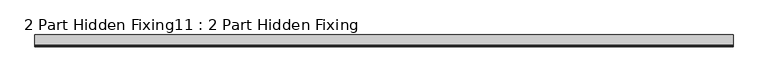
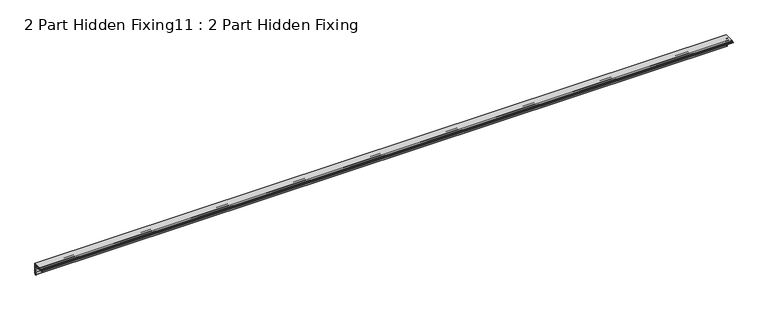
"""IFC4 building model written with IfcOpenShell, lengths in millimetres: proxy geometry, 2 Part Hidden Fixing11 : 2 Part Hidden Fixing."""

from ifc_helpers import new_model, si_unit, point, frame, frame_2d, origin, place, context, project, spatial, polyline, circle_curve, trimmed, segment, composite_curve, outline, extrude, source, transform, mapped, element, save


def proxy_2_part_hidden_fixing11_2_part_hidden_fixing_e3cdb028(model_context):
    return source(origin(), model_context, "Body", "SweptSolid", [
        extrude(outline(composite_curve([segment(trimmed(circle_curve(frame_2d((827.4348481, 1396.1887139)), 25.0), [point((852.4348481, 1396.1887139))], [point((827.4348481, 1421.1887139))], True, "CARTESIAN"), True, "CONTINUOUS"), segment(polyline([(827.4348481, 1421.1887139), (819.3848481, 1421.1887139)]), True, "CONTINUOUS"), segment(trimmed(circle_curve(frame_2d((819.3848481, 1423.2293979)), 2.040684), [point((819.3848481, 1421.1887139))], [point((817.4065069, 1423.729955))], False, "CARTESIAN"), True, "CONTINUOUS"), segment(trimmed(circle_curve(frame_2d((818.2974862, 1423.5045207)), 0.9190564), [point((817.4065069, 1423.729955))], [point((819.2162114, 1423.5291901))], False, "CARTESIAN"), True, "CONTINUOUS"), segment(trimmed(circle_curve(frame_2d((820.0981692, 1423.5528723)), 0.8822757), [point((819.2162114, 1423.5291901))], [point((820.9804315, 1423.5577279))], True, "CARTESIAN"), True, "CONTINUOUS"), segment(polyline([(820.9804315, 1423.5577279), (820.9848505, 1425.3406967)]), True, "CONTINUOUS"), segment(trimmed(circle_curve(frame_2d((822.2398637, 1425.187691)), 1.2643057), [point((820.9848505, 1425.3406967))], [point((822.6348481, 1426.3887139))], False, "CARTESIAN"), True, "CONTINUOUS"), segment(polyline([(822.6348481, 1426.3887139), (857.6348481, 1426.3887139), (857.6348481, 1391.3887139)]), True, "CONTINUOUS"), segment(trimmed(circle_curve(frame_2d((856.4338251, 1390.9937296)), 1.2643057), [point((857.6348481, 1391.3887139))], [point((856.5868308, 1389.7387164))], False, "CARTESIAN"), True, "CONTINUOUS"), segment(polyline([(856.5868308, 1389.7387164), (854.8038621, 1389.7342974)]), True, "CONTINUOUS"), segment(trimmed(circle_curve(frame_2d((854.7990064, 1388.8520351)), 0.8822757), [point((854.8038621, 1389.7342974))], [point((854.7753243, 1387.9700773))], True, "CARTESIAN"), True, "CONTINUOUS"), segment(trimmed(circle_curve(frame_2d((854.7506548, 1387.051352)), 0.9190564), [point((854.7753243, 1387.9700773))], [point((854.9760891, 1386.1603728))], False, "CARTESIAN"), True, "CONTINUOUS"), segment(trimmed(circle_curve(frame_2d((854.4755321, 1388.1387139)), 2.040684), [point((854.9760891, 1386.1603728))], [point((852.4348481, 1388.1387139))], False, "CARTESIAN"), True, "CONTINUOUS"), segment(polyline([(852.4348481, 1388.1387139), (852.4348481, 1396.1887139)]), True, "CONTINUOUS")], self_intersect=False), holes=[composite_curve([segment(polyline([(846.7961769, 1414.1358292), (853.2542803, 1420.5939326), (855.4348481, 1420.5939326), (855.4348481, 1424.1887139), (851.8400667, 1424.1887139), (851.8400667, 1422.0081462), (845.3819633, 1415.5500428)]), True, "CONTINUOUS"), segment(trimmed(circle_curve(frame_2d((827.4348481, 1396.1887139)), 26.4), [point((845.3819633, 1415.5500428))], [point((846.7961769, 1414.1358292))], False, "CARTESIAN"), True, "CONTINUOUS")], self_intersect=False), composite_curve([segment(trimmed(circle_curve(frame_2d((854.8030406, 1392.5633798)), 0.9753373), [point((853.8348481, 1392.6812187))], [point((855.4348481, 1393.3064156))], True, "CARTESIAN"), True, "CONTINUOUS"), segment(polyline([(855.4348481, 1393.3064156), (855.4348481, 1417.4080551), (853.1392907, 1415.8120383)]), True, "CONTINUOUS"), segment(trimmed(circle_curve(frame_2d((852.6462917, 1416.5211208)), 0.8636238), [point((853.1392907, 1415.8120383))], [point((851.9372092, 1417.0141198))], False, "CARTESIAN"), True, "CONTINUOUS"), segment(polyline([(851.9372092, 1417.0141198), (847.850193, 1412.9271036)]), True, "CONTINUOUS"), segment(trimmed(circle_curve(frame_2d((827.4348481, 1396.1887139)), 26.4), [point((847.850193, 1412.9271036))], [point((853.664474, 1399.1831626))], False, "CARTESIAN"), True, "CONTINUOUS"), segment(trimmed(circle_curve(frame_2d((847.7016489, 1393.998872)), 7.901402), [point((853.664474, 1399.1831626))], [point((854.6348481, 1397.7887139))], False, "CARTESIAN"), True, "CONTINUOUS"), segment(trimmed(circle_curve(frame_2d((853.4014705, 1397.1145222)), 1.4056154), [point((854.6348481, 1397.7887139))], [point((854.4179545, 1396.14369))], False, "CARTESIAN"), True, "CONTINUOUS"), segment(trimmed(circle_curve(frame_2d((855.9411372, 1394.6889157)), 2.1062891), [point((854.4179545, 1396.14369))], [point((853.8348481, 1394.6889157))], True, "CARTESIAN"), True, "CONTINUOUS"), segment(polyline([(853.8348481, 1394.6889157), (853.8348481, 1392.6812187)]), True, "CONTINUOUS")], self_intersect=False), composite_curve([segment(polyline([(844.1732378, 1416.6040589), (848.2602539, 1420.6910751)]), True, "CONTINUOUS"), segment(trimmed(circle_curve(frame_2d((847.7672549, 1421.4001575)), 0.8636238), [point((848.2602539, 1420.6910751))], [point((847.0581724, 1421.8931566))], False, "CARTESIAN"), True, "CONTINUOUS"), segment(polyline([(847.0581724, 1421.8931566), (848.6541893, 1424.1887139), (824.5525497, 1424.1887139)]), True, "CONTINUOUS"), segment(trimmed(circle_curve(frame_2d((823.8095139, 1423.5569065)), 0.9753373), [point((824.5525497, 1424.1887139))], [point((823.9273529, 1422.5887139))], True, "CARTESIAN"), True, "CONTINUOUS"), segment(polyline([(823.9273529, 1422.5887139), (825.9350498, 1422.5887139)]), True, "CONTINUOUS"), segment(trimmed(circle_curve(frame_2d((825.9350498, 1424.695003)), 2.1062891), [point((825.9350498, 1422.5887139))], [point((827.3898241, 1423.1718204))], True, "CARTESIAN"), True, "CONTINUOUS"), segment(trimmed(circle_curve(frame_2d((828.3606563, 1422.1553364)), 1.4056154), [point((827.3898241, 1423.1718204))], [point((829.0348481, 1423.3887139))], False, "CARTESIAN"), True, "CONTINUOUS"), segment(trimmed(circle_curve(frame_2d((825.2450061, 1416.4555147)), 7.901402), [point((829.0348481, 1423.3887139))], [point((830.4292968, 1422.4183399))], False, "CARTESIAN"), True, "CONTINUOUS"), segment(trimmed(circle_curve(frame_2d((827.4348481, 1396.1887139)), 26.4), [point((830.4292968, 1422.4183399))], [point((844.1732378, 1416.6040589))], False, "CARTESIAN"), True, "CONTINUOUS")], self_intersect=False)]), frame((9687.3395579, 0.0, 0.0), z_axis=(1.0, 0.0, 0.0), x_axis=(0.0, 1.0, 0.0)), (0.0, 0.0, 1.0), 2410.0),
    ])


if __name__ == "__main__":
    model = new_model("IFC4")
    model_context = context("Model", 3, world=origin())
    ifc_project = project(units=[si_unit("LENGTHUNIT", "METRE", prefix="MILLI")], contexts=[model_context])
    site = spatial("IfcSite", under=ifc_project)
    building = spatial("IfcBuilding", under=site)
    placement = place(None, origin())
    proxy_2_part_hidden_fixing11_2_part_hidden_fixing_shape = proxy_2_part_hidden_fixing11_2_part_hidden_fixing_e3cdb028(model_context)
    element("IfcBuildingElementProxy", 1, Name="2 Part Hidden Fixing11 : 2 Part Hidden Fixing", ObjectType="2 Part Hidden Fixing11 : 2 Part Hidden Fixing", at=placement, inside=building, context=model_context, shape_type="MappedRepresentation", body=[
        mapped(proxy_2_part_hidden_fixing11_2_part_hidden_fixing_shape, transform((0.0, 0.0, 0.0), x_axis=(1.0, 0.0, 0.0), y_axis=(0.0, 1.0, 0.0), z_axis=(0.0, 0.0, 1.0))),
    ])
    save(model, "model.ifc")
